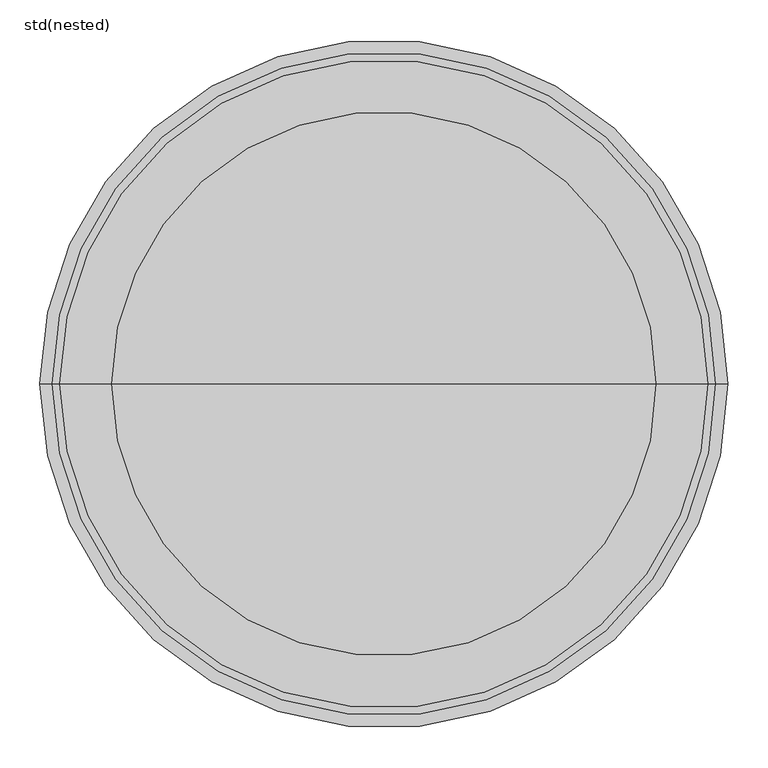
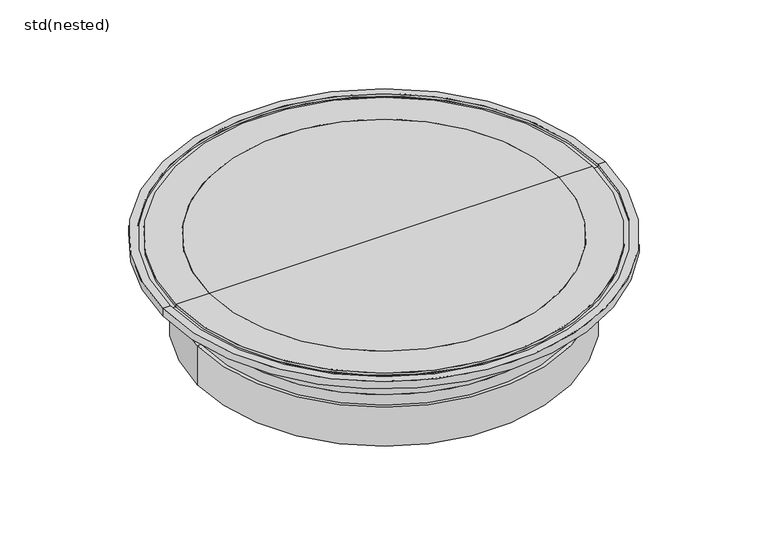
"""IFC4 building model written with IfcOpenShell, lengths in millimetres: sanitary terminal geometry, std(nested)."""

from ifc_helpers import new_model, si_unit, frame, origin, place, context, project, spatial, polyline, circle_curve, source, transform, mapped, element, save
from ifc_brep_helpers import plane_surface, cylinder_surface, revolved_surface, advanced_brep


def std_nested_a6be56dd(model_context):
    return source(origin(), model_context, "Body", "AdvancedBrep", [
        advanced_brep(
        [(310.4331581, 0.0, -50.0), (-310.4331581, 0.0, -50.0), (-340.0, 0.0, -50.0), (340.0, 0.0, -50.0), (310.4331581, 0.0, -47.0096189), (-310.4331581, 0.0, -47.0096189), (277.9331581, 0.0, -47.0096189), (-277.9331581, 0.0, -47.0096189), (277.9331581, 0.0, -52.0096189), (-277.9331581, 0.0, -52.0096189), (170.1449974, 0.0, -100.0), (-170.1449974, 0.0, -100.0), (0.0, 0.0, -100.0), (340.0, 0.0, 0.0), (-340.0, 0.0, 0.0), (0.0, 0.0, 0.0)],
        [
            (0, 1, circle_curve(frame((0.0, 0.0, -50.0), z_axis=(0.0, 0.0, 1.0), x_axis=(-1.0, 0.0, 0.0)), 310.4331581)),
            (1, 2),
            (2, 3, circle_curve(frame((0.0, 0.0, -50.0), z_axis=(0.0, 0.0, -1.0), x_axis=(-1.0, 0.0, 0.0)), 340.0)),
            (3, 0),
            (1, 0, circle_curve(frame((0.0, 0.0, -50.0), z_axis=(0.0, 0.0, 1.0), x_axis=(-1.0, 0.0, 0.0)), 310.4331581)),
            (3, 2, circle_curve(frame((0.0, 0.0, -50.0), z_axis=(0.0, 0.0, -1.0), x_axis=(-1.0, 0.0, 0.0)), 340.0)),
            (4, 5, circle_curve(frame((0.0, 0.0, -47.0096189), z_axis=(0.0, 0.0, 1.0), x_axis=(-1.0, 0.0, 0.0)), 310.4331581)),
            (5, 1),
            (0, 4),
            (5, 4, circle_curve(frame((0.0, 0.0, -47.0096189), z_axis=(0.0, 0.0, 1.0), x_axis=(-1.0, 0.0, 0.0)), 310.4331581)),
            (6, 7, circle_curve(frame((0.0, 0.0, -47.0096189), z_axis=(0.0, 0.0, 1.0), x_axis=(-1.0, 0.0, 0.0)), 277.9331581)),
            (7, 5),
            (4, 6),
            (7, 6, circle_curve(frame((0.0, 0.0, -47.0096189), z_axis=(0.0, 0.0, 1.0), x_axis=(-1.0, 0.0, 0.0)), 277.9331581)),
            (8, 9, circle_curve(frame((0.0, 0.0, -52.0096189), z_axis=(0.0, 0.0, 1.0), x_axis=(-1.0, 0.0, 0.0)), 277.9331581)),
            (9, 7),
            (6, 8),
            (9, 8, circle_curve(frame((0.0, 0.0, -52.0096189), z_axis=(0.0, 0.0, 1.0), x_axis=(-1.0, 0.0, 0.0)), 277.9331581)),
            (10, 11, circle_curve(frame((0.0, 0.0, -100.0), z_axis=(0.0, 0.0, 1.0), x_axis=(-1.0, 0.0, 0.0)), 170.1449974)),
            (11, 9),
            (8, 10),
            (11, 10, circle_curve(frame((0.0, 0.0, -100.0), z_axis=(0.0, 0.0, 1.0), x_axis=(-1.0, 0.0, 0.0)), 170.1449974)),
            (12, 11),
            (10, 12),
            (13, 14, circle_curve(frame((0.0, 0.0, 0.0), z_axis=(0.0, 0.0, 1.0), x_axis=(-1.0, 0.0, 0.0)), 340.0)),
            (14, 15),
            (15, 13),
            (14, 13, circle_curve(frame((0.0, 0.0, 0.0), z_axis=(0.0, 0.0, 1.0), x_axis=(-1.0, 0.0, 0.0)), 340.0)),
            (2, 14),
            (13, 3),
        ],
        [
            plane_surface(frame((0.0, 0.0, -50.0), z_axis=(0.0, 0.0, -1.0), x_axis=(-1.0, 0.0, 0.0))),
            revolved_surface(polyline([(-310.4331581, 0.0, -50.0), (-310.4331581, 0.0, -47.00961890000002)]), (0.0, 0.0, 460.0), (0.0, 0.0, -1.0)),
            plane_surface(frame((0.0, 0.0, -47.0096189), z_axis=(0.0, 0.0, -1.0), x_axis=(-1.0, 0.0, 0.0))),
            cylinder_surface(frame((0.0, 0.0, 460.0), z_axis=(0.0, 0.0, -1.0), x_axis=(-1.0, 0.0, 0.0)), 277.9331581),
            revolved_surface(polyline([(-277.9331581, 0.0, -52.0096189), (-170.1449974, 0.0, -100.0)]), (0.0, 0.0, 460.0), (0.0, 0.0, -1.0)),
            plane_surface(frame((0.0, 0.0, -100.0), z_axis=(0.0, 0.0, -1.0), x_axis=(-1.0, 0.0, 0.0))),
            plane_surface(frame((0.0, 0.0, 0.0), z_axis=(0.0, 0.0, 1.0), x_axis=(-1.0, 0.0, 0.0))),
            cylinder_surface(frame((0.0, 0.0, 460.0), z_axis=(0.0, 0.0, -1.0), x_axis=(-1.0, 0.0, 0.0)), 340.0),
        ],
        [
            (0, [[1, 2, 3, 4]]),
            (0, [[5, -4, 6, -2]]),
            (1, [[7, 8, -1, 9]]),
            (1, [[10, -9, -5, -8]]),
            (2, [[11, 12, -7, 13]]),
            (2, [[14, -13, -10, -12]]),
            (3, [[15, 16, -11, 17]]),
            (3, [[18, -17, -14, -16]]),
            (4, [[19, 20, -15, 21]]),
            (4, [[22, -21, -18, -20]]),
            (5, [[23, -19, 24]]),
            (5, [[-24, -22, -23]]),
            (6, [[25, 26, 27]]),
            (6, [[28, -27, -26]]),
            (7, [[-3, 29, -25, 30]]),
            (7, [[-6, -30, -28, -29]]),
        ],
    ),
        advanced_brep(
        [(362.5, 0.0, -180.0), (-362.5, 0.0, -180.0), (-362.5, 0.0, -100.0), (362.5, 0.0, -100.0), (356.0, 0.0, -180.0), (-356.0, 0.0, -180.0), (356.0, 0.0, -100.0), (-356.0, 0.0, -100.0)],
        [
            (0, 1, circle_curve(frame((0.0, 0.0, -180.0), z_axis=(0.0, 0.0, 1.0), x_axis=(-1.0, 0.0, 0.0)), 362.5)),
            (1, 2),
            (2, 3, circle_curve(frame((0.0, 0.0, -100.0), z_axis=(0.0, 0.0, -1.0), x_axis=(-1.0, 0.0, 0.0)), 362.5)),
            (3, 0),
            (1, 0, circle_curve(frame((0.0, 0.0, -180.0), z_axis=(0.0, 0.0, 1.0), x_axis=(-1.0, 0.0, 0.0)), 362.5)),
            (3, 2, circle_curve(frame((0.0, 0.0, -100.0), z_axis=(0.0, 0.0, -1.0), x_axis=(-1.0, 0.0, 0.0)), 362.5)),
            (4, 5, circle_curve(frame((0.0, 0.0, -180.0), z_axis=(0.0, 0.0, 1.0), x_axis=(-1.0, 0.0, 0.0)), 356.0)),
            (5, 1),
            (0, 4),
            (5, 4, circle_curve(frame((0.0, 0.0, -180.0), z_axis=(0.0, 0.0, 1.0), x_axis=(-1.0, 0.0, 0.0)), 356.0)),
            (6, 7, circle_curve(frame((0.0, 0.0, -100.0), z_axis=(0.0, 0.0, 1.0), x_axis=(-1.0, 0.0, 0.0)), 356.0)),
            (7, 5),
            (4, 6),
            (7, 6, circle_curve(frame((0.0, 0.0, -100.0), z_axis=(0.0, 0.0, 1.0), x_axis=(-1.0, 0.0, 0.0)), 356.0)),
            (2, 7),
            (6, 3),
        ],
        [
            cylinder_surface(frame((0.0, 0.0, 389.5186602), z_axis=(0.0, 0.0, -1.0), x_axis=(-1.0, 0.0, 0.0)), 362.5),
            plane_surface(frame((0.0, 0.0, -180.0), z_axis=(0.0, 0.0, -1.0), x_axis=(-1.0, 0.0, 0.0))),
            revolved_surface(polyline([(-356.0, 0.0, -180.0), (-356.0, 0.0, -100.0)]), (0.0, 0.0, 389.5186602), (0.0, 0.0, -1.0)),
            plane_surface(frame((0.0, 0.0, -100.0), z_axis=(0.0, 0.0, 1.0), x_axis=(-1.0, 0.0, 0.0))),
        ],
        [
            (0, [[1, 2, 3, 4]]),
            (0, [[5, -4, 6, -2]]),
            (1, [[7, 8, -1, 9]]),
            (1, [[10, -9, -5, -8]]),
            (2, [[11, 12, -7, 13]]),
            (2, [[14, -13, -10, -12]]),
            (3, [[-3, 15, -11, 16]]),
            (3, [[-6, -16, -14, -15]]),
        ],
    ),
        advanced_brep(
        [(430.0, 0.0, 0.0), (-430.0, 0.0, 0.0), (-415.0, 0.0, 0.0), (415.0, 0.0, 0.0), (430.0, 0.0, -15.0), (-430.0, 0.0, -15.0), (350.0230242, 0.0, -15.0), (-350.0230242, 0.0, -15.0), (350.0230242, 0.0, -35.6814835), (-350.0230242, 0.0, -35.6814835), (347.5, 0.0, -85.0), (-347.5, 0.0, -85.0), (347.5, 0.0, -160.0), (-347.5, 0.0, -160.0), (339.0, 0.0, -160.0), (-339.0, 0.0, -160.0), (339.0, 0.0, -43.0), (-339.0, 0.0, -43.0), (302.5, 0.0, -43.0), (-302.5, 0.0, -43.0), (302.5, 0.0, -22.0), (-302.5, 0.0, -22.0), (338.2314699, 0.0, -22.0), (-338.2314699, 0.0, -22.0), (338.2314699, 0.0, -30.0), (-338.2314699, 0.0, -30.0), (340.0, 0.0, -30.0), (-340.0, 0.0, -30.0), (340.0, 0.0, 0.0), (-340.0, 0.0, 0.0), (405.0, 0.0, 0.0), (-405.0, 0.0, 0.0), (405.0, 0.0, -5.0), (-405.0, 0.0, -5.0), (415.0, 0.0, -5.0), (-415.0, 0.0, -5.0)],
        [
            (0, 1, circle_curve(frame((0.0, 0.0, 0.0), z_axis=(0.0, 0.0, 1.0), x_axis=(-1.0, 0.0, 0.0)), 430.0)),
            (1, 2),
            (2, 3, circle_curve(frame((0.0, 0.0, 0.0), z_axis=(0.0, 0.0, -1.0), x_axis=(-1.0, 0.0, 0.0)), 415.0)),
            (3, 0),
            (1, 0, circle_curve(frame((0.0, 0.0, 0.0), z_axis=(0.0, 0.0, 1.0), x_axis=(-1.0, 0.0, 0.0)), 430.0)),
            (3, 2, circle_curve(frame((0.0, 0.0, 0.0), z_axis=(0.0, 0.0, -1.0), x_axis=(-1.0, 0.0, 0.0)), 415.0)),
            (4, 5, circle_curve(frame((0.0, 0.0, -15.0), z_axis=(0.0, 0.0, 1.0), x_axis=(-1.0, 0.0, 0.0)), 430.0)),
            (5, 1),
            (0, 4),
            (5, 4, circle_curve(frame((0.0, 0.0, -15.0), z_axis=(0.0, 0.0, 1.0), x_axis=(-1.0, 0.0, 0.0)), 430.0)),
            (6, 7, circle_curve(frame((0.0, 0.0, -15.0), z_axis=(0.0, 0.0, 1.0), x_axis=(-1.0, 0.0, 0.0)), 350.0230242)),
            (7, 5),
            (4, 6),
            (7, 6, circle_curve(frame((0.0, 0.0, -15.0), z_axis=(0.0, 0.0, 1.0), x_axis=(-1.0, 0.0, 0.0)), 350.0230242)),
            (8, 9, circle_curve(frame((0.0, 0.0, -35.6814835), z_axis=(0.0, 0.0, 1.0), x_axis=(-1.0, 0.0, 0.0)), 350.0230242)),
            (9, 7),
            (6, 8),
            (9, 8, circle_curve(frame((0.0, 0.0, -35.6814835), z_axis=(0.0, 0.0, 1.0), x_axis=(-1.0, 0.0, 0.0)), 350.0230242)),
            (10, 11, circle_curve(frame((0.0, 0.0, -85.0), z_axis=(0.0, 0.0, 1.0), x_axis=(-1.0, 0.0, 0.0)), 347.5)),
            (11, 9),
            (8, 10),
            (11, 10, circle_curve(frame((0.0, 0.0, -85.0), z_axis=(0.0, 0.0, 1.0), x_axis=(-1.0, 0.0, 0.0)), 347.5)),
            (12, 13, circle_curve(frame((0.0, 0.0, -160.0), z_axis=(0.0, 0.0, 1.0), x_axis=(-1.0, 0.0, 0.0)), 347.5)),
            (13, 11),
            (10, 12),
            (13, 12, circle_curve(frame((0.0, 0.0, -160.0), z_axis=(0.0, 0.0, 1.0), x_axis=(-1.0, 0.0, 0.0)), 347.5)),
            (14, 15, circle_curve(frame((0.0, 0.0, -160.0), z_axis=(0.0, 0.0, 1.0), x_axis=(-1.0, 0.0, 0.0)), 339.0)),
            (15, 13),
            (12, 14),
            (15, 14, circle_curve(frame((0.0, 0.0, -160.0), z_axis=(0.0, 0.0, 1.0), x_axis=(-1.0, 0.0, 0.0)), 339.0)),
            (16, 17, circle_curve(frame((0.0, 0.0, -43.0), z_axis=(0.0, 0.0, 1.0), x_axis=(-1.0, 0.0, 0.0)), 339.0)),
            (17, 15),
            (14, 16),
            (17, 16, circle_curve(frame((0.0, 0.0, -43.0), z_axis=(0.0, 0.0, 1.0), x_axis=(-1.0, 0.0, 0.0)), 339.0)),
            (18, 19, circle_curve(frame((0.0, 0.0, -43.0), z_axis=(0.0, 0.0, 1.0), x_axis=(-1.0, 0.0, 0.0)), 302.5)),
            (19, 17),
            (16, 18),
            (19, 18, circle_curve(frame((0.0, 0.0, -43.0), z_axis=(0.0, 0.0, 1.0), x_axis=(-1.0, 0.0, 0.0)), 302.5)),
            (20, 21, circle_curve(frame((0.0, 0.0, -22.0), z_axis=(0.0, 0.0, 1.0), x_axis=(-1.0, 0.0, 0.0)), 302.5)),
            (21, 19),
            (18, 20),
            (21, 20, circle_curve(frame((0.0, 0.0, -22.0), z_axis=(0.0, 0.0, 1.0), x_axis=(-1.0, 0.0, 0.0)), 302.5)),
            (22, 23, circle_curve(frame((0.0, 0.0, -22.0), z_axis=(0.0, 0.0, 1.0), x_axis=(-1.0, 0.0, 0.0)), 338.2314699)),
            (23, 21),
            (20, 22),
            (23, 22, circle_curve(frame((0.0, 0.0, -22.0), z_axis=(0.0, 0.0, 1.0), x_axis=(-1.0, 0.0, 0.0)), 338.2314699)),
            (24, 25, circle_curve(frame((0.0, 0.0, -30.0), z_axis=(0.0, 0.0, 1.0), x_axis=(-1.0, 0.0, 0.0)), 338.2314699)),
            (25, 23),
            (22, 24),
            (25, 24, circle_curve(frame((0.0, 0.0, -30.0), z_axis=(0.0, 0.0, 1.0), x_axis=(-1.0, 0.0, 0.0)), 338.2314699)),
            (26, 27, circle_curve(frame((0.0, 0.0, -30.0), z_axis=(0.0, 0.0, 1.0), x_axis=(-1.0, 0.0, 0.0)), 340.0)),
            (27, 25),
            (24, 26),
            (27, 26, circle_curve(frame((0.0, 0.0, -30.0), z_axis=(0.0, 0.0, 1.0), x_axis=(-1.0, 0.0, 0.0)), 340.0)),
            (28, 29, circle_curve(frame((0.0, 0.0, 0.0), z_axis=(0.0, 0.0, 1.0), x_axis=(-1.0, 0.0, 0.0)), 340.0)),
            (29, 27),
            (26, 28),
            (29, 28, circle_curve(frame((0.0, 0.0, 0.0), z_axis=(0.0, 0.0, 1.0), x_axis=(-1.0, 0.0, 0.0)), 340.0)),
            (30, 31, circle_curve(frame((0.0, 0.0, 0.0), z_axis=(0.0, 0.0, 1.0), x_axis=(-1.0, 0.0, 0.0)), 405.0)),
            (31, 29),
            (28, 30),
            (31, 30, circle_curve(frame((0.0, 0.0, 0.0), z_axis=(0.0, 0.0, 1.0), x_axis=(-1.0, 0.0, 0.0)), 405.0)),
            (32, 33, circle_curve(frame((0.0, 0.0, -5.0), z_axis=(0.0, 0.0, 1.0), x_axis=(-1.0, 0.0, 0.0)), 405.0)),
            (33, 31),
            (30, 32),
            (33, 32, circle_curve(frame((0.0, 0.0, -5.0), z_axis=(0.0, 0.0, 1.0), x_axis=(-1.0, 0.0, 0.0)), 405.0)),
            (34, 35, circle_curve(frame((0.0, 0.0, -5.0), z_axis=(0.0, 0.0, 1.0), x_axis=(-1.0, 0.0, 0.0)), 415.0)),
            (35, 33),
            (32, 34),
            (35, 34, circle_curve(frame((0.0, 0.0, -5.0), z_axis=(0.0, 0.0, 1.0), x_axis=(-1.0, 0.0, 0.0)), 415.0)),
            (2, 35),
            (34, 3),
        ],
        [
            plane_surface(frame((0.0, 0.0, 0.0), z_axis=(0.0, 0.0, 1.0), x_axis=(-1.0, 0.0, 0.0))),
            cylinder_surface(frame((0.0, 0.0, 220.0), z_axis=(0.0, 0.0, -1.0), x_axis=(-1.0, 0.0, 0.0)), 430.0),
            plane_surface(frame((0.0, 0.0, -15.0), z_axis=(0.0, 0.0, -1.0), x_axis=(-1.0, 0.0, 0.0))),
            cylinder_surface(frame((0.0, 0.0, 220.0), z_axis=(0.0, 0.0, -1.0), x_axis=(-1.0, 0.0, 0.0)), 350.0230242),
            revolved_surface(polyline([(-350.0230242, 0.0, -35.6814835), (-347.5, 0.0, -85.0)]), (0.0, 0.0, 220.0), (0.0, 0.0, -1.0)),
            cylinder_surface(frame((0.0, 0.0, 220.0), z_axis=(0.0, 0.0, -1.0), x_axis=(-1.0, 0.0, 0.0)), 347.5),
            plane_surface(frame((0.0, 0.0, -160.0), z_axis=(0.0, 0.0, -1.0), x_axis=(-1.0, 0.0, 0.0))),
            revolved_surface(polyline([(-339.0, 0.0, -160.0), (-339.0, 0.0, -43.0)]), (0.0, 0.0, 220.0), (0.0, 0.0, -1.0)),
            plane_surface(frame((0.0, 0.0, -43.0), z_axis=(0.0, 0.0, -1.0), x_axis=(-1.0, 0.0, 0.0))),
            revolved_surface(polyline([(-302.5, 0.0, -43.0), (-302.5, 0.0, -22.0)]), (0.0, 0.0, 220.0), (0.0, 0.0, -1.0)),
            plane_surface(frame((0.0, 0.0, -22.0), z_axis=(0.0, 0.0, 1.0), x_axis=(-1.0, 0.0, 0.0))),
            cylinder_surface(frame((0.0, 0.0, 220.0), z_axis=(0.0, 0.0, -1.0), x_axis=(-1.0, 0.0, 0.0)), 338.2314699),
            plane_surface(frame((0.0, 0.0, -30.0), z_axis=(0.0, 0.0, 1.0), x_axis=(-1.0, 0.0, 0.0))),
            revolved_surface(polyline([(-340.0, 0.0, -30.0), (-340.0, 0.0, 0.0)]), (0.0, 0.0, 220.0), (0.0, 0.0, -1.0)),
            cylinder_surface(frame((0.0, 0.0, 220.0), z_axis=(0.0, 0.0, -1.0), x_axis=(-1.0, 0.0, 0.0)), 405.0),
            plane_surface(frame((0.0, 0.0, -5.0), z_axis=(0.0, 0.0, 1.0), x_axis=(-1.0, 0.0, 0.0))),
            revolved_surface(polyline([(-415.0, 0.0, -5.0), (-415.0, 0.0, 0.0)]), (0.0, 0.0, 220.0), (0.0, 0.0, -1.0)),
        ],
        [
            (0, [[1, 2, 3, 4]]),
            (0, [[5, -4, 6, -2]]),
            (1, [[7, 8, -1, 9]]),
            (1, [[10, -9, -5, -8]]),
            (2, [[11, 12, -7, 13]]),
            (2, [[14, -13, -10, -12]]),
            (3, [[15, 16, -11, 17]]),
            (3, [[18, -17, -14, -16]]),
            (4, [[19, 20, -15, 21]]),
            (4, [[22, -21, -18, -20]]),
            (5, [[23, 24, -19, 25]]),
            (5, [[26, -25, -22, -24]]),
            (6, [[27, 28, -23, 29]]),
            (6, [[30, -29, -26, -28]]),
            (7, [[31, 32, -27, 33]]),
            (7, [[34, -33, -30, -32]]),
            (8, [[35, 36, -31, 37]]),
            (8, [[38, -37, -34, -36]]),
            (9, [[39, 40, -35, 41]]),
            (9, [[42, -41, -38, -40]]),
            (10, [[43, 44, -39, 45]]),
            (10, [[46, -45, -42, -44]]),
            (11, [[47, 48, -43, 49]]),
            (11, [[50, -49, -46, -48]]),
            (12, [[51, 52, -47, 53]]),
            (12, [[54, -53, -50, -52]]),
            (13, [[55, 56, -51, 57]]),
            (13, [[58, -57, -54, -56]]),
            (0, [[59, 60, -55, 61]]),
            (0, [[62, -61, -58, -60]]),
            (14, [[63, 64, -59, 65]]),
            (14, [[66, -65, -62, -64]]),
            (15, [[67, 68, -63, 69]]),
            (15, [[70, -69, -66, -68]]),
            (16, [[-3, 71, -67, 72]]),
            (16, [[-6, -72, -70, -71]]),
        ],
    ),
    ])


if __name__ == "__main__":
    model = new_model("IFC4")
    model_context = context("Model", 3, world=origin())
    ifc_project = project(units=[si_unit("LENGTHUNIT", "METRE", prefix="MILLI")], contexts=[model_context])
    site = spatial("IfcSite", under=ifc_project)
    building = spatial("IfcBuilding", under=site)
    placement = place(None, origin())
    std_nested_shape = std_nested_a6be56dd(model_context)
    element("IfcSanitaryTerminal", 1, ObjectType="std(nested)", at=placement, inside=building, context=model_context, shape_type="MappedRepresentation", body=[
        mapped(std_nested_shape, transform((0.0, 0.0, 0.0), x_axis=(1.0, 0.0, 0.0), y_axis=(0.0, 1.0, 0.0), z_axis=(0.0, 0.0, 1.0))),
    ])
    save(model, "model.ifc")
